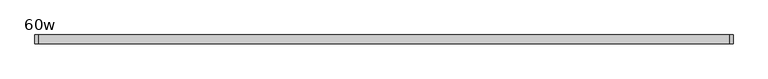
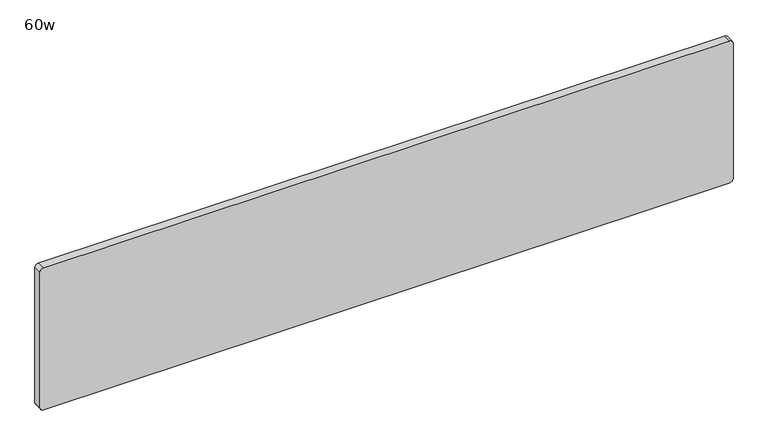
"""IFC4 building model written with IfcOpenShell, lengths in millimetres: furniture geometry, 60w."""

from ifc_helpers import new_model, si_unit, point, frame, frame_2d, origin, place, context, project, spatial, polyline, circle_curve, trimmed, segment, composite_curve, outline, extrude, source, transform, mapped, element, save


def furniture_60w_c40fcf02(model_context):
    return source(origin(), model_context, "Body", "SweptSolid", [
        extrude(outline(composite_curve([segment(polyline([(762.0, 754.0625), (762.0, -754.0625)]), True, "CONTINUOUS"), segment(trimmed(circle_curve(frame_2d((754.0625, -754.0625)), 7.9375), [point((762.0, -754.0625))], [point((754.0625, -762.0))], False, "CARTESIAN"), True, "CONTINUOUS"), segment(polyline([(754.0625, -762.0), (439.7375, -762.0)]), True, "CONTINUOUS"), segment(trimmed(circle_curve(frame_2d((439.7375, -754.0625)), 7.9375), [point((439.7375, -762.0))], [point((431.8, -754.0625))], False, "CARTESIAN"), True, "CONTINUOUS"), segment(polyline([(431.8, -754.0625), (431.8, 754.0625)]), True, "CONTINUOUS"), segment(trimmed(circle_curve(frame_2d((439.7375, 754.0625)), 7.9375), [point((431.8, 754.0625))], [point((439.7375, 762.0))], False, "CARTESIAN"), True, "CONTINUOUS"), segment(polyline([(439.7375, 762.0), (754.0625, 762.0)]), True, "CONTINUOUS"), segment(trimmed(circle_curve(frame_2d((754.0625, 754.0625)), 7.9375), [point((754.0625, 762.0))], [point((762.0, 754.0625))], False, "CARTESIAN"), True, "CONTINUOUS")], self_intersect=False)), frame((0.0, -9.525, 0.0), z_axis=(0.0, 1.0, 0.0), x_axis=(0.0, 0.0, 1.0)), (0.0, 0.0, 1.0), 19.05),
    ])


if __name__ == "__main__":
    model = new_model("IFC4")
    model_context = context("Model", 3, world=origin())
    ifc_project = project(units=[si_unit("LENGTHUNIT", "METRE", prefix="MILLI")], contexts=[model_context])
    site = spatial("IfcSite", under=ifc_project)
    building = spatial("IfcBuilding", under=site)
    placement = place(None, origin())
    furniture_60w_shape = furniture_60w_c40fcf02(model_context)
    element("IfcFurniture", 1, ObjectType="60w", at=placement, inside=building, context=model_context, shape_type="MappedRepresentation", body=[
        mapped(furniture_60w_shape, transform((0.0, 0.0, 0.0), x_axis=(1.0, 0.0, 0.0), y_axis=(0.0, 1.0, 0.0), z_axis=(0.0, 0.0, 1.0))),
    ])
    save(model, "model.ifc")
